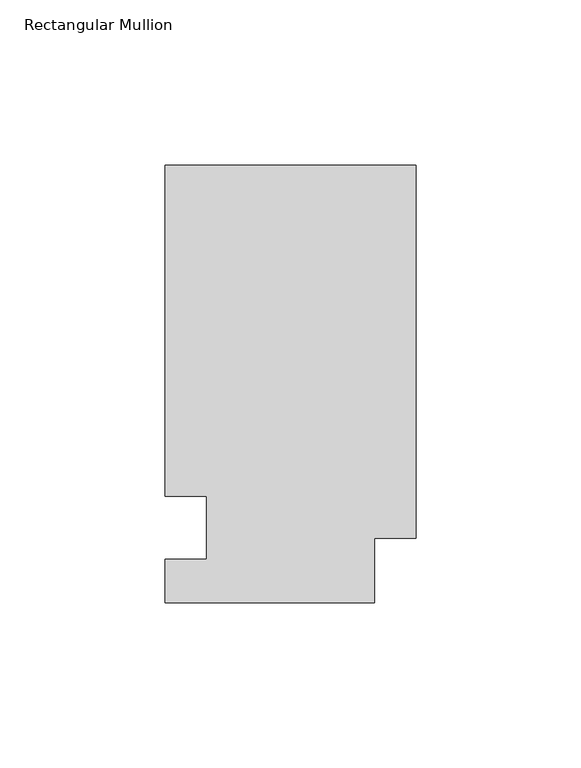
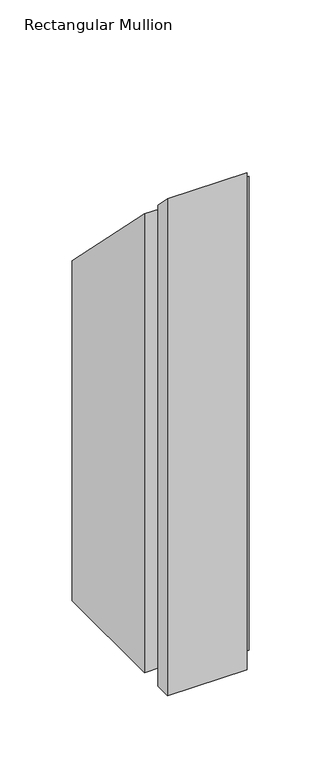
"""IFC4 building model written with IfcOpenShell, lengths in millimetres: member geometry, Rectangular Mullion."""

from ifc_helpers import new_model, si_unit, origin, place, context, project, spatial, faceted_brep, source, transform, mapped, element, save


def rectangular_mullion_69d070bb(model_context):
    return source(origin(), model_context, "Body", "Brep", [
        faceted_brep([(0.0, 132.6522937, -420.0919115), (0.0, 19.5460937, -420.0919115), (-12.7, 19.5460938, -420.0919115), (-12.7, 0.0134938, -420.0919115), (-76.2, 0.0134938, -420.0919115), (-76.2, 13.1960938, -420.0919115), (-63.5, 13.1960937, -420.0919115), (-63.5, 32.2460937, -420.0919115), (-76.2, 32.2460938, -420.0919115), (-76.2, 132.6522938, -420.0919115), (-76.2, 132.6522938, -132.6522938), (0.0, 132.6522937, -132.6522937), (-76.2, 32.2460938, -32.2460937), (-63.5, 32.2460937, -32.2460937), (-63.5, 13.1960937, -13.1960937), (-76.2, 13.1960938, -13.1960937), (-76.2, 0.0134938, -0.0134938), (-12.7, 0.0134938, -0.0134938), (-12.7, 19.5460938, -19.5460937), (0.0, 19.5460937, -19.5460937)], [[[0, 1, 2, 3, 4, 5, 6, 7, 8, 9]], [[10, 11, 0, 9]], [[12, 10, 9, 8]], [[13, 12, 8, 7]], [[14, 13, 7, 6]], [[15, 14, 6, 5]], [[16, 15, 5, 4]], [[17, 16, 4, 3]], [[18, 17, 3, 2]], [[19, 18, 2, 1]], [[11, 19, 1, 0]], [[11, 10, 12, 13, 14, 15, 16, 17, 18, 19]]]),
    ])


if __name__ == "__main__":
    model = new_model("IFC4")
    model_context = context("Model", 3, world=origin())
    ifc_project = project(units=[si_unit("LENGTHUNIT", "METRE", prefix="MILLI")], contexts=[model_context])
    site = spatial("IfcSite", under=ifc_project)
    building = spatial("IfcBuilding", under=site)
    placement = place(None, origin())
    rectangular_mullion_shape = rectangular_mullion_69d070bb(model_context)
    element("IfcMember", 1, ObjectType="Rectangular Mullion", at=placement, inside=building, context=model_context, shape_type="MappedRepresentation", body=[
        mapped(rectangular_mullion_shape, transform((0.0, 0.0, 0.0), x_axis=(1.0, 0.0, 0.0), y_axis=(0.0, 1.0, 0.0), z_axis=(0.0, 0.0, 1.0))),
    ])
    save(model, "model.ifc")
